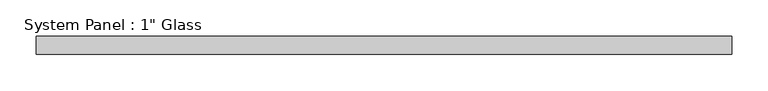
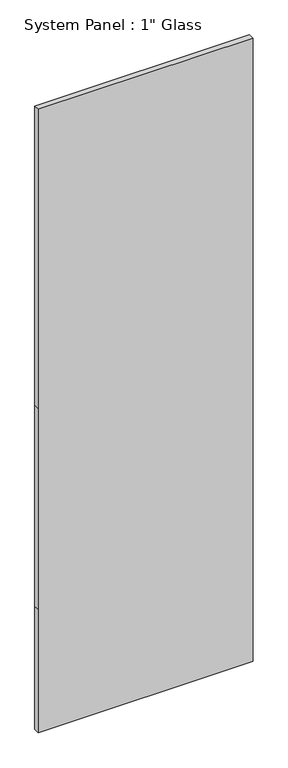
"""IFC4 building model written with IfcOpenShell, lengths in millimetres: plate geometry."""

from ifc_helpers import new_model, si_unit, frame, origin, place, context, project, spatial, polyline, outline, extrude, source, transform, mapped, element, save


def plate_e98a8c93(model_context):
    return source(origin(), model_context, "Body", "SweptSolid", [
        extrude(outline(polyline([(0.0, -482.6), (0.0, 482.6), (584.2, 482.6), (1539.875, 482.6), (2959.1, 482.6), (2959.1, -482.6), (1539.875, -482.6), (584.2, -482.6), (0.0, -482.6)])), frame((0.0, -12.7, 0.0), z_axis=(0.0, 1.0, 0.0), x_axis=(0.0, 0.0, 1.0)), (0.0, 0.0, 1.0), 25.4),
    ])


if __name__ == "__main__":
    model = new_model("IFC4")
    model_context = context("Model", 3, world=origin())
    ifc_project = project(units=[si_unit("LENGTHUNIT", "METRE", prefix="MILLI")], contexts=[model_context])
    site = spatial("IfcSite", under=ifc_project)
    building = spatial("IfcBuilding", under=site)
    placement = place(None, origin())
    plate_shape = plate_e98a8c93(model_context)
    element("IfcPlate", 1, ObjectType="System Panel : 1\" Glass", at=placement, inside=building, context=model_context, shape_type="MappedRepresentation", body=[
        mapped(plate_shape, transform((0.0, 0.0, 0.0), x_axis=(1.0, 0.0, 0.0), y_axis=(0.0, 1.0, 0.0), z_axis=(0.0, 0.0, 1.0))),
    ])
    save(model, "model.ifc")
